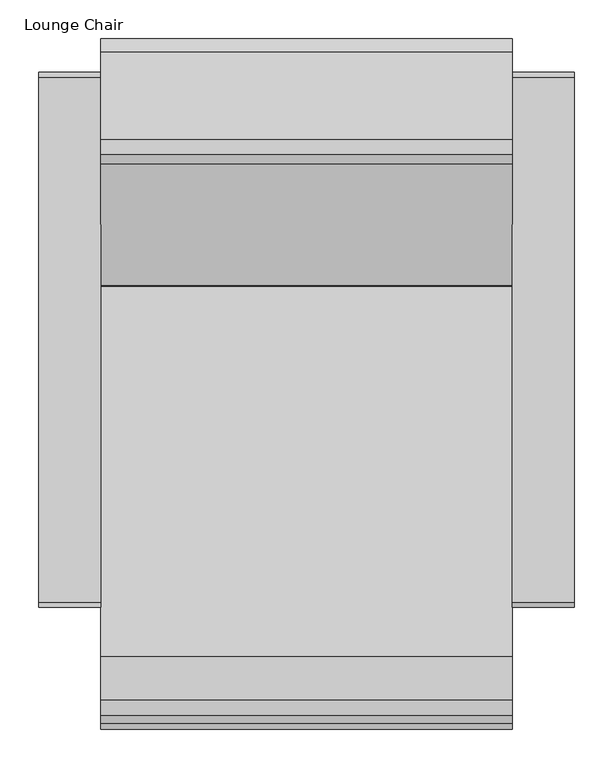
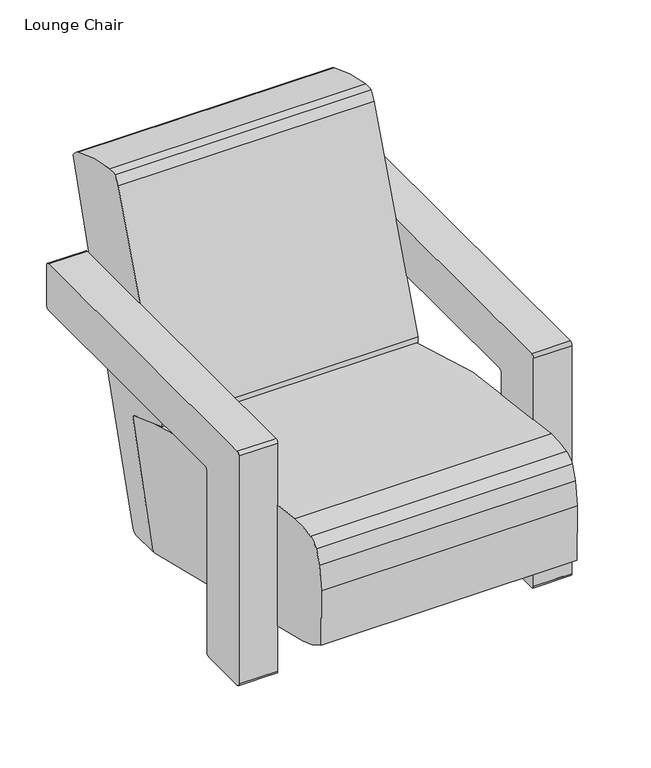
"""IFC4 building model written with IfcOpenShell, lengths in millimetres: furniture geometry, Lounge Chair."""

from ifc_helpers import new_model, si_unit, point, frame, frame_2d, origin, place, context, project, spatial, polyline, circle_curve, trimmed, segment, composite_curve, outline, extrude, source, transform, mapped, element, save


def lounge_chair_d08a6ad7(model_context):
    return source(origin(), model_context, "Body", "SweptSolid", [
        extrude(outline(composite_curve([segment(polyline([(19.713159, 1722.4897589), (19.713159, 1632.4894385), (1.27, 1632.4894385)]), True, "CONTINUOUS"), segment(trimmed(circle_curve(frame_2d((1.27, 1633.7594385)), 1.27), [point((1.27, 1632.4894385))], [point((0.0, 1633.7594385))], False, "CARTESIAN"), True, "CONTINUOUS"), segment(polyline([(0.0, 1633.7594385), (0.0, 1721.2197589)]), True, "CONTINUOUS"), segment(trimmed(circle_curve(frame_2d((1.27, 1721.2197589)), 1.27), [point((0.0, 1721.2197589))], [point((1.27, 1722.4897589))], False, "CARTESIAN"), True, "CONTINUOUS"), segment(polyline([(1.27, 1722.4897589), (19.713159, 1722.4897589)]), True, "CONTINUOUS")], self_intersect=False)), frame((0.0, 1319.6729659, 0.0), z_axis=(0.0, 1.0, 0.0), x_axis=(0.0, 0.0, 1.0)), (0.0, 0.0, 1.0), 59.924976),
        extrude(outline(composite_curve([segment(polyline([(883.6194949, 19.713159), (973.6198154, 19.713159), (973.6198154, 1.27)]), True, "CONTINUOUS"), segment(trimmed(circle_curve(frame_2d((972.3498154, 1.27)), 1.27), [point((973.6198154, 1.27))], [point((972.3498154, 0.0))], False, "CARTESIAN"), True, "CONTINUOUS"), segment(polyline([(972.3498154, 0.0), (884.8894949, 0.0)]), True, "CONTINUOUS"), segment(trimmed(circle_curve(frame_2d((884.8894949, 1.27)), 1.27), [point((884.8894949, 0.0))], [point((883.6194949, 1.27))], False, "CARTESIAN"), True, "CONTINUOUS"), segment(polyline([(883.6194949, 1.27), (883.6194949, 19.713159)]), True, "CONTINUOUS")], self_intersect=False)), frame((1741.7692507, 0.0, 0.0), z_axis=(1.0, 0.0, 0.0), x_axis=(0.0, 1.0, 0.0)), (0.0, 0.0, 1.0), 59.924976),
        extrude(outline(composite_curve([segment(polyline([(875.0186633, 520.4075518), (1555.2321826, 520.4075518)]), True, "CONTINUOUS"), segment(trimmed(circle_curve(frame_2d((1555.2321826, 514.0575518)), 6.35), [point((1555.2321826, 520.4075518))], [point((1561.5821826, 514.0575518))], False, "CARTESIAN"), True, "CONTINUOUS"), segment(polyline([(1561.5821826, 514.0575518), (1561.5821826, 424.7057665)]), True, "CONTINUOUS"), segment(trimmed(circle_curve(frame_2d((1555.2321826, 424.7057665)), 6.35), [point((1561.5821826, 424.7057665))], [point((1555.2321826, 418.3557665))], False, "CARTESIAN"), True, "CONTINUOUS"), segment(polyline([(1555.2321826, 418.3557665), (990.6866031, 418.3557665)]), True, "CONTINUOUS"), segment(trimmed(circle_curve(frame_2d((990.6866031, 412.0057665)), 6.35), [point((990.6866031, 418.3557665))], [point((984.3366031, 412.0057665))], True, "CARTESIAN"), True, "CONTINUOUS"), segment(polyline([(984.3366031, 412.0057665), (984.3366031, 12.363034)]), True, "CONTINUOUS"), segment(trimmed(circle_curve(frame_2d((977.9866031, 12.363034)), 6.35), [point((984.3366031, 12.363034))], [point((977.9866031, 6.013034))], False, "CARTESIAN"), True, "CONTINUOUS"), segment(polyline([(977.9866031, 6.013034), (875.0186633, 6.013034)]), True, "CONTINUOUS"), segment(trimmed(circle_curve(frame_2d((875.0186633, 12.363034)), 6.35), [point((875.0186633, 6.013034))], [point((868.6686633, 12.363034))], False, "CARTESIAN"), True, "CONTINUOUS"), segment(polyline([(868.6686633, 12.363034), (868.6686633, 514.0575518)]), True, "CONTINUOUS"), segment(trimmed(circle_curve(frame_2d((875.0186633, 514.0575518)), 6.35), [point((868.6686633, 514.0575518))], [point((875.0186633, 520.4075518))], False, "CARTESIAN"), True, "CONTINUOUS")], self_intersect=False)), frame((1731.6264105, 0.0, 0.0), z_axis=(1.0, 0.0, 0.0), x_axis=(0.0, 1.0, 0.0)), (0.0, 0.0, 1.0), 80.2983545),
        extrude(outline(composite_curve([segment(polyline([(19.713159, 1207.9397711), (1.27, 1207.9397711)]), True, "CONTINUOUS"), segment(trimmed(circle_curve(frame_2d((1.27, 1209.2097711)), 1.27), [point((1.27, 1207.9397711))], [point((0.0, 1209.2097711))], False, "CARTESIAN"), True, "CONTINUOUS"), segment(polyline([(0.0, 1209.2097711), (0.0, 1296.6700916)]), True, "CONTINUOUS"), segment(trimmed(circle_curve(frame_2d((1.27, 1296.6700916)), 1.27), [point((0.0, 1296.6700916))], [point((1.27, 1297.9400916))], False, "CARTESIAN"), True, "CONTINUOUS"), segment(polyline([(1.27, 1297.9400916), (19.713159, 1297.9400916), (19.713159, 1207.9397711)]), True, "CONTINUOUS")], self_intersect=False)), frame((0.0, 1319.6729659, 0.0), z_axis=(0.0, 1.0, 0.0), x_axis=(0.0, 0.0, 1.0)), (0.0, 0.0, 1.0), 59.924976),
        extrude(outline(composite_curve([segment(polyline([(883.6194949, 19.713159), (973.6198154, 19.713159), (973.6198154, 1.27)]), True, "CONTINUOUS"), segment(trimmed(circle_curve(frame_2d((972.3498154, 1.27)), 1.27), [point((973.6198154, 1.27))], [point((972.3498154, 0.0))], False, "CARTESIAN"), True, "CONTINUOUS"), segment(polyline([(972.3498154, 0.0), (884.8894949, 0.0)]), True, "CONTINUOUS"), segment(trimmed(circle_curve(frame_2d((884.8894949, 1.27)), 1.27), [point((884.8894949, 0.0))], [point((883.6194949, 1.27))], False, "CARTESIAN"), True, "CONTINUOUS"), segment(polyline([(883.6194949, 1.27), (883.6194949, 19.713159)]), True, "CONTINUOUS")], self_intersect=False)), frame((1128.7353034, 0.0, 0.0), z_axis=(1.0, 0.0, 0.0), x_axis=(0.0, 1.0, 0.0)), (0.0, 0.0, 1.0), 59.924976),
        extrude(outline(composite_curve([segment(trimmed(circle_curve(frame_2d((1319.9051574, 5.9451358)), 3.3497613), [point((1320.0562274, 2.5987828))], [point((1316.9536982, 4.3609043))], False, "CARTESIAN"), True, "CONTINUOUS"), segment(trimmed(circle_curve(frame_2d((1312.8996098, 12.5290821)), 9.1189233), [point((1316.9536982, 4.3609043))], [point((1321.8235614, 10.6534888))], True, "CARTESIAN"), True, "CONTINUOUS"), segment(trimmed(circle_curve(frame_2d((3181.3286385, -380.1683794)), 1900.1318018), [point((1321.8235614, 10.6534888))], [point((1389.7211612, 252.7956888))], False, "CARTESIAN"), True, "CONTINUOUS"), segment(trimmed(circle_curve(frame_2d((1382.1481077, 254.2879469)), 7.7186769), [point((1389.7211612, 252.7956888))], [point((1385.1457674, 261.400753))], True, "CARTESIAN"), True, "CONTINUOUS"), segment(trimmed(circle_curve(frame_2d((983.152918, -692.4423824)), 1035.0917726), [point((1385.1457674, 261.400753))], [point((1284.4811102, 297.8183401))], True, "CARTESIAN"), True, "CONTINUOUS"), segment(trimmed(circle_curve(frame_2d((1320.763101, 299.1043946)), 36.3047764), [point((1284.4811102, 297.8183401))], [point((1285.7030917, 308.5294962))], False, "CARTESIAN"), True, "CONTINUOUS"), segment(trimmed(circle_curve(frame_2d((3622.7439753, -319.7318287)), 2420.0149553), [point((1285.7030917, 308.5294962))], [point((1443.0632541, 731.678813))], False, "CARTESIAN"), True, "CONTINUOUS"), segment(trimmed(circle_curve(frame_2d((1496.8852083, 705.716765)), 59.756428), [point((1443.0632541, 731.678813))], [point((1455.4037799, 748.7298071))], False, "CARTESIAN"), True, "CONTINUOUS"), segment(trimmed(circle_curve(frame_2d((1468.7671538, 710.1792807)), 40.8010152), [point((1455.4037799, 748.7298071))], [point((1474.9008456, 750.5166166))], False, "CARTESIAN"), True, "CONTINUOUS"), segment(trimmed(circle_curve(frame_2d((1408.721927, 315.300547)), 440.2188961), [point((1474.9008456, 750.5166166))], [point((1587.9544101, 717.3806305))], False, "CARTESIAN"), True, "CONTINUOUS"), segment(trimmed(circle_curve(frame_2d((1572.2651552, 682.1842375)), 38.5349037), [point((1587.9544101, 717.3806305))], [point((1604.9932201, 702.526621))], False, "CARTESIAN"), True, "CONTINUOUS"), segment(trimmed(circle_curve(frame_2d((-15265.0042355, 5578.5032157)), 17560.5228255), [point((1604.9932201, 702.526621))], [point((1389.5217547, 10.8532676))], False, "CARTESIAN"), True, "CONTINUOUS"), segment(trimmed(circle_curve(frame_2d((1377.2834166, 14.9445749)), 12.9040969), [point((1389.5217547, 10.8532676))], [point((1379.8211841, 2.2924821))], False, "CARTESIAN"), True, "CONTINUOUS"), segment(trimmed(circle_curve(frame_2d((1346.8928397, -591.8593918)), 595.0636311), [point((1379.8211841, 2.2924821))], [point((1320.0562274, 2.5987828))], True, "CARTESIAN"), True, "CONTINUOUS")], self_intersect=False)), frame((1198.8031195, 0.0, 0.0), z_axis=(1.0, 0.0, 0.0), x_axis=(0.0, 1.0, 0.0)), (0.0, 0.0, 1.0), 532.8244537),
        extrude(outline(composite_curve([segment(trimmed(circle_curve(frame_2d((717.866604, -1454.841886)), 1843.3301823), [point((805.0516162, 386.4253229))], [point((1359.6974124, 273.1394144))], False, "CARTESIAN"), True, "CONTINUOUS"), segment(trimmed(circle_curve(frame_2d((1295.897326, 101.3724086)), 183.2330628), [point((1359.6974124, 273.1394144))], [point((1385.1457674, 261.400753))], False, "CARTESIAN"), True, "CONTINUOUS"), segment(trimmed(circle_curve(frame_2d((1380.7703812, 253.5553968)), 8.9829627), [point((1385.1457674, 261.400753))], [point((1389.7211612, 252.7956888))], False, "CARTESIAN"), True, "CONTINUOUS"), segment(trimmed(circle_curve(frame_2d((3181.3286385, -380.1683794)), 1900.1318018), [point((1389.7211612, 252.7956888))], [point((1321.8235614, 10.6534888))], True, "CARTESIAN"), True, "CONTINUOUS"), segment(trimmed(circle_curve(frame_2d((1312.8996098, 12.5290821)), 9.1189233), [point((1321.8235614, 10.6534888))], [point((1310.8684161, 3.6392557))], False, "CARTESIAN"), True, "CONTINUOUS"), segment(trimmed(circle_curve(frame_2d((5520.4330294, 18427.4356099)), 18898.5900621), [point((1310.8684161, 3.6392557))], [point((779.5572421, 133.152265))], False, "CARTESIAN"), True, "CONTINUOUS"), segment(trimmed(circle_curve(frame_2d((831.0220534, 331.7467616)), 205.154578), [point((779.5572421, 133.152265))], [point((711.557323, 164.9637317))], False, "CARTESIAN"), True, "CONTINUOUS"), segment(trimmed(circle_curve(frame_2d((1682.5410701, 230.1760573)), 973.1711487), [point((711.557323, 164.9637317))], [point((710.9132201, 284.9611437))], False, "CARTESIAN"), True, "CONTINUOUS"), segment(trimmed(circle_curve(frame_2d((1047.412968, 265.9876574)), 337.0342319), [point((710.9132201, 284.9611437))], [point((717.8644961, 336.6267274))], False, "CARTESIAN"), True, "CONTINUOUS"), segment(trimmed(circle_curve(frame_2d((821.6257159, 314.3853981)), 106.1181768), [point((717.8644961, 336.6267274))], [point((729.1126468, 366.3700064))], False, "CARTESIAN"), True, "CONTINUOUS"), segment(trimmed(circle_curve(frame_2d((756.3925577, 351.0409778)), 31.2917347), [point((729.1126468, 366.3700064))], [point((749.5073485, 381.5658292))], False, "CARTESIAN"), True, "CONTINUOUS"), segment(trimmed(circle_curve(frame_2d((795.2244205, 178.8839948)), 207.7738594), [point((749.5073485, 381.5658292))], [point((805.0516162, 386.4253229))], False, "CARTESIAN"), True, "CONTINUOUS")], self_intersect=False)), frame((1198.8031195, 0.0, 0.0), z_axis=(1.0, 0.0, 0.0), x_axis=(0.0, 1.0, 0.0)), (0.0, 0.0, 1.0), 532.8244537),
        extrude(outline(composite_curve([segment(polyline([(875.0186633, 520.4075518), (1555.2321826, 520.4075518)]), True, "CONTINUOUS"), segment(trimmed(circle_curve(frame_2d((1555.2321826, 514.0575518)), 6.35), [point((1555.2321826, 520.4075518))], [point((1561.5821826, 514.0575518))], False, "CARTESIAN"), True, "CONTINUOUS"), segment(polyline([(1561.5821826, 514.0575518), (1561.5821826, 424.7057665)]), True, "CONTINUOUS"), segment(trimmed(circle_curve(frame_2d((1555.2321826, 424.7057665)), 6.35), [point((1561.5821826, 424.7057665))], [point((1555.2321826, 418.3557665))], False, "CARTESIAN"), True, "CONTINUOUS"), segment(polyline([(1555.2321826, 418.3557665), (990.6866031, 418.3557665)]), True, "CONTINUOUS"), segment(trimmed(circle_curve(frame_2d((990.6866031, 412.0057665)), 6.35), [point((990.6866031, 418.3557665))], [point((984.3366031, 412.0057665))], True, "CARTESIAN"), True, "CONTINUOUS"), segment(polyline([(984.3366031, 412.0057665), (984.3366031, 12.363034)]), True, "CONTINUOUS"), segment(trimmed(circle_curve(frame_2d((977.9866031, 12.363034)), 6.35), [point((984.3366031, 12.363034))], [point((977.9866031, 6.013034))], False, "CARTESIAN"), True, "CONTINUOUS"), segment(polyline([(977.9866031, 6.013034), (875.0186633, 6.013034)]), True, "CONTINUOUS"), segment(trimmed(circle_curve(frame_2d((875.0186633, 12.363034)), 6.35), [point((875.0186633, 6.013034))], [point((868.6686633, 12.363034))], False, "CARTESIAN"), True, "CONTINUOUS"), segment(polyline([(868.6686633, 12.363034), (868.6686633, 514.0575518)]), True, "CONTINUOUS"), segment(trimmed(circle_curve(frame_2d((875.0186633, 514.0575518)), 6.35), [point((868.6686633, 514.0575518))], [point((875.0186633, 520.4075518))], False, "CARTESIAN"), True, "CONTINUOUS")], self_intersect=False)), frame((1118.504765, 0.0, 0.0), z_axis=(1.0, 0.0, 0.0), x_axis=(0.0, 1.0, 0.0)), (0.0, 0.0, 1.0), 80.2983545),
    ])


if __name__ == "__main__":
    model = new_model("IFC4")
    model_context = context("Model", 3, world=origin())
    ifc_project = project(units=[si_unit("LENGTHUNIT", "METRE", prefix="MILLI")], contexts=[model_context])
    site = spatial("IfcSite", under=ifc_project)
    building = spatial("IfcBuilding", under=site)
    placement = place(None, origin())
    lounge_chair_shape = lounge_chair_d08a6ad7(model_context)
    element("IfcFurniture", 1, ObjectType="Lounge Chair", at=placement, inside=building, context=model_context, shape_type="MappedRepresentation", body=[
        mapped(lounge_chair_shape, transform((0.0, 0.0, 0.0), x_axis=(1.0, 0.0, 0.0), y_axis=(0.0, 1.0, 0.0), z_axis=(0.0, 0.0, 1.0))),
    ])
    save(model, "model.ifc")
